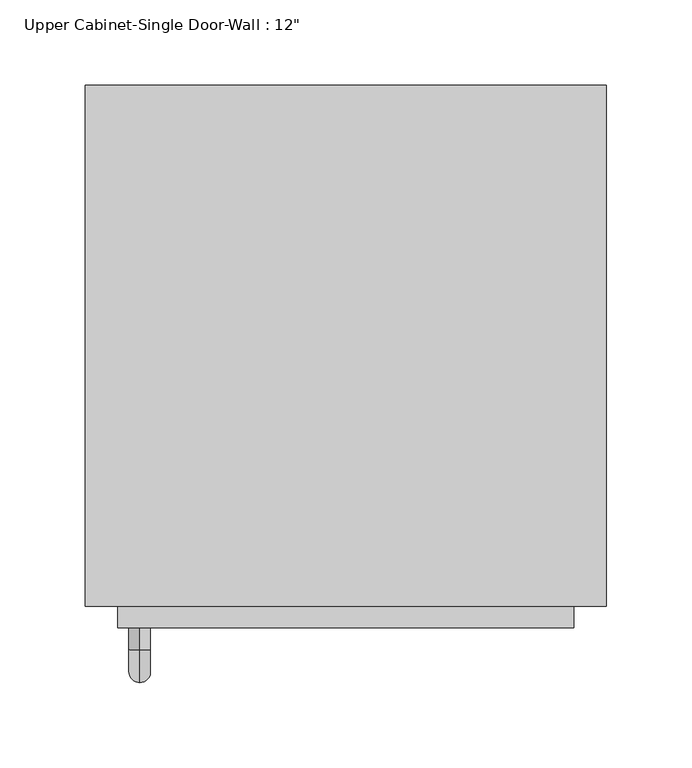
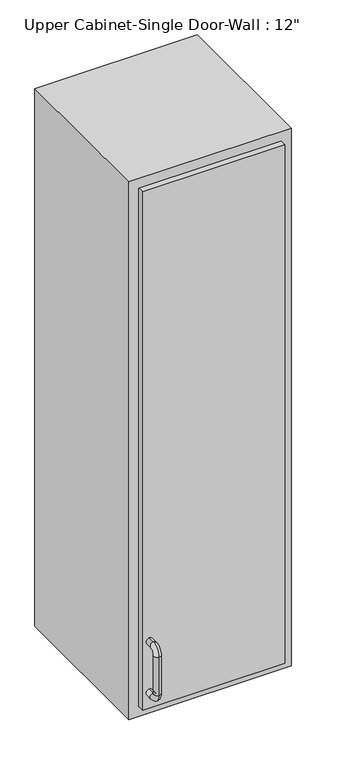
"""IFC4 building model written with IfcOpenShell, lengths in millimetres: furniture geometry."""

from ifc_helpers import new_model, si_unit, point, frame, origin, place, context, project, spatial, polyline, circle_curve, ellipse_curve, trimmed, outline, extrude, faceted_brep, source, transform, mapped, element, save
from ifc_brep_helpers import plane_surface, cylinder_surface, revolved_surface, advanced_brep


def furniture_bb05019a(model_context):
    return source(origin(), model_context, "Body", "SolidModel", [
        faceted_brep([(-122.6288372, -53.975, 2133.6), (182.1711628, -53.975, 2133.6), (182.1711628, -53.975, 1066.8), (-122.6288372, -53.975, 1066.8), (-122.6288372, -358.775, 2133.6), (-122.6288372, -358.775, 1066.8), (182.1711628, -358.775, 1066.8), (182.1711628, -358.775, 2133.6), (-103.5788372, -358.775, 2114.55), (163.1211628, -358.775, 2114.55), (163.1211628, -358.775, 1085.85), (-103.5788372, -358.775, 1085.85), (-103.5788372, -73.025, 2114.55), (163.1211628, -73.025, 2114.55), (163.1211628, -73.025, 1085.85), (-103.5788372, -73.025, 1085.85)], [[[0, 1, 2, 3]], [[4, 5, 6, 7], [8, 9, 10, 11]], [[3, 5, 4, 0]], [[2, 6, 5, 3]], [[1, 7, 6, 2]], [[0, 4, 7, 1]], [[8, 12, 13, 9]], [[9, 13, 14, 10]], [[10, 14, 15, 11]], [[11, 15, 12, 8]], [[12, 15, 14, 13]]]),
        advanced_brep(
        [(-90.8788372, -371.475, 1212.85), (-90.8788372, -371.475, 1225.55), (-90.8788372, -384.175, 1225.55), (-90.8788372, -384.175, 1212.85), (-90.8788372, -403.225, 1206.5), (-90.8788372, -390.525, 1206.5), (-90.8788372, -403.225, 1130.3), (-90.8788372, -390.525, 1130.3), (-90.8788372, -384.175, 1111.25), (-90.8788372, -384.175, 1123.95), (-90.8788372, -371.475, 1123.95), (-90.8788372, -371.475, 1111.25)],
        [
            (0, 1, circle_curve(frame((-90.8788372, -371.475, 1219.2), z_axis=(0.0, 1.0, 0.0), x_axis=(0.0, 0.0, 1.0)), 6.35)),
            (1, 0, circle_curve(frame((-90.8788372, -371.475, 1219.2), z_axis=(0.0, 1.0, 0.0), x_axis=(0.0, 0.0, 1.0)), 6.35)),
            (1, 2),
            (2, 3, circle_curve(frame((-90.8788372, -384.175, 1219.2), z_axis=(0.0, 1.0, 0.0), x_axis=(0.0, 0.0, 1.0)), 6.35)),
            (3, 0),
            (3, 2, circle_curve(frame((-90.8788372, -384.175, 1219.2), z_axis=(0.0, 1.0, 0.0), x_axis=(0.0, 0.0, 1.0)), 6.35)),
            (4, 5, circle_curve(frame((-90.8788372, -396.875, 1206.5), z_axis=(0.0, 0.0, 1.0), x_axis=(0.0, -1.0, 0.0)), 6.35)),
            (5, 3, circle_curve(frame((-90.8788372, -384.175, 1206.5), z_axis=(-1.0, 0.0, 0.0), x_axis=(0.0, 0.0, 1.0)), 6.35)),
            (2, 4, circle_curve(frame((-90.8788372, -384.175, 1206.5), z_axis=(1.0, 0.0, 0.0), x_axis=(0.0, 0.0, 1.0)), 19.05)),
            (5, 4, circle_curve(frame((-90.8788372, -396.875, 1206.5), z_axis=(0.0, 0.0, 1.0), x_axis=(0.0, -1.0, 0.0)), 6.35)),
            (4, 6),
            (6, 7, circle_curve(frame((-90.8788372, -396.875, 1130.3), z_axis=(0.0, 0.0, 1.0), x_axis=(0.0, -1.0, 0.0)), 6.35)),
            (7, 5),
            (7, 6, circle_curve(frame((-90.8788372, -396.875, 1130.3), z_axis=(0.0, 0.0, 1.0), x_axis=(0.0, -1.0, 0.0)), 6.35)),
            (8, 9, circle_curve(frame((-90.8788372, -384.175, 1117.6), z_axis=(0.0, -1.0, 0.0), x_axis=(0.0, 0.0, -1.0)), 6.35)),
            (9, 7, circle_curve(frame((-90.8788372, -384.175, 1130.3), z_axis=(-1.0, 0.0, 0.0), x_axis=(0.0, -1.0, 0.0)), 6.35)),
            (6, 8, circle_curve(frame((-90.8788372, -384.175, 1130.3), z_axis=(1.0, 0.0, 0.0), x_axis=(0.0, -1.0, 0.0)), 19.05)),
            (9, 8, circle_curve(frame((-90.8788372, -384.175, 1117.6), z_axis=(0.0, -1.0, 0.0), x_axis=(0.0, 0.0, -1.0)), 6.35)),
            (10, 11, circle_curve(frame((-90.8788372, -371.475, 1117.6), z_axis=(0.0, 1.0, 0.0), x_axis=(0.0, 0.0, -1.0)), 6.35)),
            (11, 10, circle_curve(frame((-90.8788372, -371.475, 1117.6), z_axis=(0.0, 1.0, 0.0), x_axis=(0.0, 0.0, -1.0)), 6.35)),
            (8, 11),
            (10, 9),
        ],
        [
            plane_surface(frame((-97.2288372, -371.475, 1219.2), z_axis=(0.0, 1.0, 0.0), x_axis=(0.0, 0.0, 1.0))),
            cylinder_surface(frame((-90.8788372, -371.475, 1219.2), z_axis=(0.0, 1.0, 0.0), x_axis=(0.0, 0.0, 1.0)), 6.35),
            revolved_surface(trimmed(ellipse_curve(frame((-90.8788372, -384.175, 1219.2), z_axis=(0.0, -1.0, 0.0), x_axis=(0.0, 0.0, 1.0)), 6.35, 6.35), [point((-90.8788372, -384.175, 1212.85))], [point((-90.8788372, -384.175, 1225.55))], True, "CARTESIAN"), (-90.8788372, -384.175, 1206.5), (-1.0, 0.0, 0.0)),
            revolved_surface(trimmed(ellipse_curve(frame((-90.8788372, -384.175, 1219.2), z_axis=(0.0, -1.0, 0.0), x_axis=(0.0, 0.0, 1.0)), 6.35, 6.35), [point((-90.8788372, -384.175, 1225.55))], [point((-90.8788372, -384.175, 1212.85))], True, "CARTESIAN"), (-90.8788372, -384.175, 1206.5), (-1.0, 0.0, 0.0)),
            cylinder_surface(frame((-90.8788372, -396.875, 1206.5), z_axis=(0.0, 0.0, 1.0), x_axis=(0.0, -1.0, 0.0)), 6.35),
            revolved_surface(trimmed(ellipse_curve(frame((-90.8788372, -396.875, 1130.3), z_axis=(0.0, 0.0, -1.0), x_axis=(0.0, -1.0, 0.0)), 6.35, 6.35), [point((-90.8788372, -390.525, 1130.3))], [point((-90.8788372, -403.225, 1130.3))], True, "CARTESIAN"), (-90.8788372, -384.175, 1130.3), (-1.0, 0.0, 0.0)),
            revolved_surface(trimmed(ellipse_curve(frame((-90.8788372, -396.875, 1130.3), z_axis=(0.0, 0.0, -1.0), x_axis=(0.0, -1.0, 0.0)), 6.35, 6.35), [point((-90.8788372, -403.225, 1130.3))], [point((-90.8788372, -390.525, 1130.3))], True, "CARTESIAN"), (-90.8788372, -384.175, 1130.3), (-1.0, 0.0, 0.0)),
            plane_surface(frame((-97.2288372, -371.475, 1117.6), z_axis=(0.0, 1.0, 0.0), x_axis=(0.0, 0.0, -1.0))),
            cylinder_surface(frame((-90.8788372, -384.175, 1117.6), z_axis=(0.0, -1.0, 0.0), x_axis=(0.0, 0.0, -1.0)), 6.35),
        ],
        [
            (0, [[1, 2]]),
            (1, [[3, 4, 5, -2]]),
            (1, [[-5, 6, -3, -1]]),
            (2, [[7, 8, -4, 9]]),
            (3, [[10, -9, -6, -8]]),
            (4, [[11, 12, 13, -7]]),
            (4, [[-13, 14, -11, -10]]),
            (5, [[15, 16, -12, 17]]),
            (6, [[18, -17, -14, -16]]),
            (7, [[19, 20]]),
            (8, [[21, -19, 22, -15]]),
            (8, [[-22, -20, -21, -18]]),
        ],
    ),
        extrude(outline(polyline([(-103.5788372, -371.475), (-103.5788372, -339.725), (163.1211628, -339.725), (163.1211628, -371.475), (-103.5788372, -371.475)])), frame((0.0, 0.0, 1085.85), z_axis=(0.0, 0.0, 1.0), x_axis=(1.0, 0.0, 0.0)), (0.0, 0.0, 1.0), 1028.7),
    ])


if __name__ == "__main__":
    model = new_model("IFC4")
    model_context = context("Model", 3, world=origin())
    ifc_project = project(units=[si_unit("LENGTHUNIT", "METRE", prefix="MILLI")], contexts=[model_context])
    site = spatial("IfcSite", under=ifc_project)
    building = spatial("IfcBuilding", under=site)
    placement = place(None, origin())
    furniture_shape = furniture_bb05019a(model_context)
    element("IfcFurniture", 1, ObjectType="Upper Cabinet-Single Door-Wall : 12\"", at=placement, inside=building, context=model_context, shape_type="MappedRepresentation", body=[
        mapped(furniture_shape, transform((0.0, 0.0, 0.0), x_axis=(1.0, 0.0, 0.0), y_axis=(0.0, 1.0, 0.0), z_axis=(0.0, 0.0, 1.0))),
    ])
    save(model, "model.ifc")
